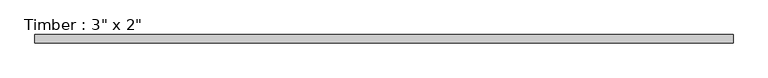
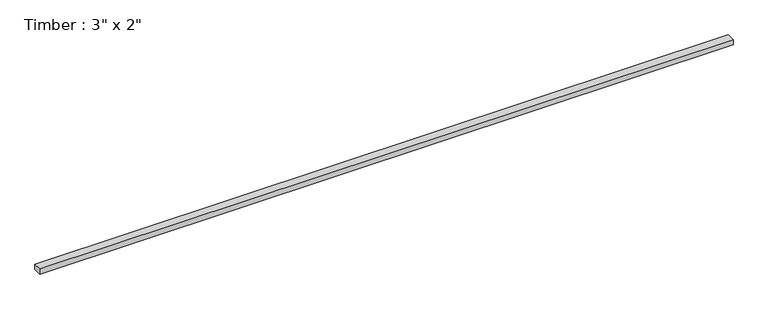
"""IFC4 building model written with IfcOpenShell, lengths in millimetres: beam geometry."""

from ifc_helpers import new_model, si_unit, frame, origin, place, context, project, spatial, polyline, outline, extrude, source, transform, mapped, element, save


def beam_b14f0b1a(model_context):
    return source(origin(), model_context, "Body", "SweptSolid", [
        extrude(outline(polyline([(3185.2460057, -38.1), (-3185.2460057, -38.1), (-3185.2460057, 38.1), (3185.2460057, 38.1), (3185.2460057, -38.1)])), frame((0.0, 0.0, -25.4), z_axis=(0.0, 0.0, 1.0), x_axis=(1.0, 0.0, 0.0)), (0.0, 0.0, 1.0), 50.8),
    ])


if __name__ == "__main__":
    model = new_model("IFC4")
    model_context = context("Model", 3, world=origin())
    ifc_project = project(units=[si_unit("LENGTHUNIT", "METRE", prefix="MILLI")], contexts=[model_context])
    site = spatial("IfcSite", under=ifc_project)
    building = spatial("IfcBuilding", under=site)
    placement = place(None, origin())
    beam_shape = beam_b14f0b1a(model_context)
    element("IfcBeam", 1, ObjectType="Timber : 3\" x 2\"", at=placement, inside=building, context=model_context, shape_type="MappedRepresentation", body=[
        mapped(beam_shape, transform((0.0, 0.0, 0.0), x_axis=(1.0, 0.0, 0.0), y_axis=(0.0, 1.0, 0.0), z_axis=(0.0, 0.0, 1.0))),
    ])
    save(model, "model.ifc")
